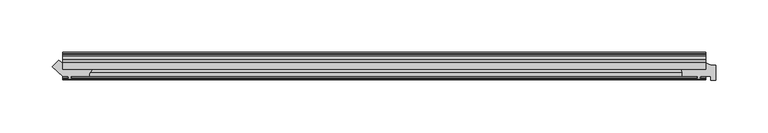
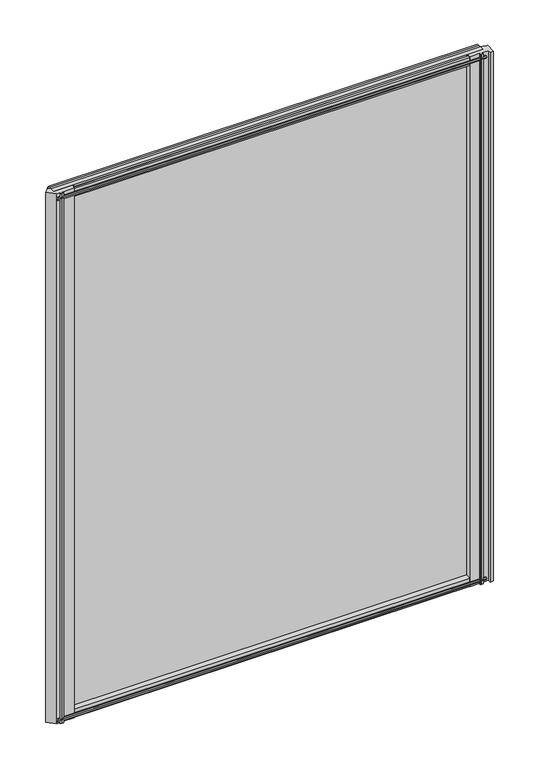
"""IFC4 building model written with IfcOpenShell, lengths in millimetres: plate geometry."""

import ifcopenshell
import ifcopenshell.guid

model = None  # the IFC model being written
_history = None  # IfcOwnerHistory: only IFC2X3 demands one
_inside = {}  # id of a spatial element -> (the spatial element, [elements in it])
_under = {}  # id of a project, library or spatial element -> (it, [spatial elements below it])
_declared = {}  # id of a project -> (the project, [libraries it declares])
_typed = {}  # id of a type object -> (the type object, [elements of that type])
_made_of = {}  # id of a material, layer set ... -> (it, [elements and type objects made of it])


def new_model(schema):
    """Start an empty IFC model of exactly this schema.

    Asked for "IFC4X3", IfcOpenShell would pick the latest addendum, in which some entities
    have other attributes; the version numbers below select the first issue.
    IFC2X3 requires an IfcOwnerHistory on every rooted entity: one is made here for all.
    """
    global model, _history
    if schema == "IFC4X3":
        model = ifcopenshell.file(schema_version=(4, 3, 0, 0))
    else:
        model = ifcopenshell.file(schema=schema)
    _inside.clear()
    _under.clear()
    _declared.clear()
    _typed.clear()
    _made_of.clear()
    _history = None
    if model.schema == "IFC2X3":
        org = make("IfcOrganization", Name="unknown")
        user = make(
            "IfcPersonAndOrganization",
            ThePerson=make("IfcPerson", FamilyName="unknown"),
            TheOrganization=org,
        )
        app = make(
            "IfcApplication",
            ApplicationDeveloper=org,
            Version="unknown",
            ApplicationFullName="unknown",
            ApplicationIdentifier="unknown",
        )
        _history = make(
            "IfcOwnerHistory",
            OwningUser=user,
            OwningApplication=app,
            ChangeAction="ADDED",
            CreationDate=0,
        )
    return model


def make(cls, **values):
    """One entity of the class cls with the attributes given. An attribute that is None is left unset."""
    return model.create_entity(
        cls, **{name: value for name, value in values.items() if value is not None}
    )


def rooted(cls, **values):
    """An entity with a GlobalId (a new one), such as an element, a storey or a relation."""
    return make(cls, GlobalId=ifcopenshell.guid.new(), OwnerHistory=_history, **values)


def si_unit(unit_type, name, prefix=None):
    """IfcSIUnit, for example si_unit("LENGTHUNIT", "METRE", prefix="MILLI")."""
    return make("IfcSIUnit", UnitType=unit_type, Prefix=prefix, Name=name)


def assignment(units):
    """IfcUnitAssignment: the units of a project."""
    return None if units is None else make("IfcUnitAssignment", Units=units)


def point(xyz):
    """IfcCartesianPoint."""
    return None if xyz is None else make("IfcCartesianPoint", Coordinates=xyz)


def direction(xyz):
    """IfcDirection."""
    return None if xyz is None else make("IfcDirection", DirectionRatios=xyz)


def frame(location, z_axis=None, x_axis=None):
    """IfcAxis2Placement3D, a coordinate frame: its origin and axes. An axis left out is left unset."""
    return make(
        "IfcAxis2Placement3D",
        Location=point(location),
        Axis=direction(z_axis),
        RefDirection=direction(x_axis),
    )


def frame_2d(location, x_axis=None):
    """IfcAxis2Placement2D, a coordinate frame in the plane: its origin and x axis."""
    return make(
        "IfcAxis2Placement2D", Location=point(location), RefDirection=direction(x_axis)
    )


def origin():
    """The frame at (0, 0, 0) with its axes left unset."""
    return frame((0.0, 0.0, 0.0))


def place(relative_to, where):
    """IfcLocalPlacement: puts the frame where relative to a parent placement (None: the world)."""
    return make(
        "IfcLocalPlacement", PlacementRelTo=relative_to, RelativePlacement=where
    )


def context(
    kind, dimensions, precision=None, world=None, true_north=None, identifier=None
):
    """IfcGeometricRepresentationContext, for example the 3D "Model" context."""
    return make(
        "IfcGeometricRepresentationContext",
        ContextIdentifier=identifier,
        ContextType=kind,
        CoordinateSpaceDimension=dimensions,
        Precision=precision,
        WorldCoordinateSystem=world,
        TrueNorth=true_north,
    )


def project(units=None, contexts=None):
    """IfcProject with its units and contexts."""
    return rooted(
        "IfcProject",
        Name="project",
        RepresentationContexts=contexts,
        UnitsInContext=assignment(units),
    )


def spatial(cls, under=None, at=None, **own):
    """A site, building, storey or space (cls), placed at a placement, below another one or the project."""
    s = rooted(cls, ObjectPlacement=at, **own)
    if under is not None:
        _under.setdefault(under.id(), (under, []))[1].append(s)
    return s


def polyline(points):
    """IfcPolyline through the points."""
    return make("IfcPolyline", Points=[point(p) for p in points])


def circle_curve(where, radius):
    """IfcCircle in the frame where."""
    return make("IfcCircle", Position=where, Radius=radius)


def trimmed(basis, trim1, trim2, sense, master):
    """IfcTrimmedCurve: the piece of a basis curve between two trims."""
    return make(
        "IfcTrimmedCurve",
        BasisCurve=basis,
        Trim1=trim1,
        Trim2=trim2,
        SenseAgreement=sense,
        MasterRepresentation=master,
    )


def segment(curve, same_sense, transition):
    """IfcCompositeCurveSegment."""
    return make(
        "IfcCompositeCurveSegment",
        Transition=transition,
        SameSense=same_sense,
        ParentCurve=curve,
    )


def composite_curve(segments, self_intersect=None):
    """IfcCompositeCurve: segments joined end to end."""
    return make("IfcCompositeCurve", Segments=segments, SelfIntersect=self_intersect)


def outline(outer, holes=None, kind="AREA"):
    """IfcArbitraryClosedProfileDef: a profile drawn as a closed curve; with holes, ...WithVoids."""
    if holes is None:
        return make("IfcArbitraryClosedProfileDef", ProfileType=kind, OuterCurve=outer)
    return make(
        "IfcArbitraryProfileDefWithVoids",
        ProfileType=kind,
        OuterCurve=outer,
        InnerCurves=holes,
    )


def extrude(swept, where, along, depth):
    """IfcExtrudedAreaSolid: the profile swept, set in the frame where, extruded along a direction by depth."""
    return make(
        "IfcExtrudedAreaSolid",
        SweptArea=swept,
        Position=where,
        ExtrudedDirection=direction(along),
        Depth=depth,
    )


def shape(context_of_items, identifier, shape_type, items):
    """IfcShapeRepresentation: the items that make up one representation, for example the "Body"."""
    return make(
        "IfcShapeRepresentation",
        ContextOfItems=context_of_items,
        RepresentationIdentifier=identifier,
        RepresentationType=shape_type,
        Items=items,
    )


def source(mapping_origin, context_of_items, identifier, shape_type, items):
    """IfcRepresentationMap: a shape defined once, which mapped items show again and again."""
    return make(
        "IfcRepresentationMap",
        MappingOrigin=mapping_origin,
        MappedRepresentation=shape(context_of_items, identifier, shape_type, items),
    )


def transform(
    local_origin,
    x_axis=None,
    y_axis=None,
    z_axis=None,
    scale=None,
    scale2=None,
    scale3=None,
    uniform=True,
):
    """IfcCartesianTransformationOperator3D, or its non-uniform kind. x_axis, y_axis, z_axis: its Axis1, 2, 3."""
    if uniform:
        return make(
            "IfcCartesianTransformationOperator3D",
            Axis1=direction(x_axis),
            Axis2=direction(y_axis),
            LocalOrigin=point(local_origin),
            Scale=scale,
            Axis3=direction(z_axis),
        )
    return make(
        "IfcCartesianTransformationOperator3DnonUniform",
        Axis1=direction(x_axis),
        Axis2=direction(y_axis),
        LocalOrigin=point(local_origin),
        Scale=scale,
        Axis3=direction(z_axis),
        Scale2=scale2,
        Scale3=scale3,
    )


def mapped(mapping_source, mapping_target):
    """IfcMappedItem: shows the shape of a source again, moved by a transform."""
    return make(
        "IfcMappedItem", MappingSource=mapping_source, MappingTarget=mapping_target
    )


def made_of(thing, what):
    """Note that an element or type object is made of a material, layer set ...; save() writes the relation."""
    if what is not None:
        _made_of.setdefault(what.id(), (what, []))[1].append(thing)
    return thing


def element(
    cls,
    number,
    at=None,
    inside=None,
    cuts=None,
    type_object=None,
    material=None,
    context=None,
    identifier="Body",
    shape_type=None,
    held_by="IfcProductDefinitionShape",
    body=None,
    shapes=None,
    **own,
):
    """One element of the class cls, such as IfcWall. Its Tag is "e" and its number.

    at: its placement. inside: the storey or other place that contains it. cuts: it is an
    opening in that element (IfcRelVoidsElement). A single representation is given by context,
    identifier, shape_type and body (its items); several are given by shapes. held_by: the class
    of the entity that holds the representations. save() writes the other relations.
    """
    e = rooted(cls, Tag="e%d" % number, ObjectPlacement=at, **own)
    if body is not None:
        shapes = [shape(context, identifier, shape_type, body)]
    if shapes is not None:
        e.Representation = make(held_by, Representations=shapes)
    if inside is not None:
        _inside.setdefault(inside.id(), (inside, []))[1].append(e)
    if cuts is not None:
        rooted(
            "IfcRelVoidsElement", RelatingBuildingElement=cuts, RelatedOpeningElement=e
        )
    if type_object is not None:
        _typed.setdefault(type_object.id(), (type_object, []))[1].append(e)
    return made_of(e, material)


def aggregate(whole, parts):
    """IfcRelAggregates: a whole, such as a stair, and the parts it consists of."""
    return rooted("IfcRelAggregates", RelatingObject=whole, RelatedObjects=parts)


def save(model, path):
    """Write the relations noted so far, then the file.

    IfcRelAggregates (storeys below a building ...), IfcRelContainedInSpatialStructure (elements
    in a storey), IfcRelDefinesByType, IfcRelAssociatesMaterial and IfcRelDeclares: one each for
    every whole, place, type object, material and project.
    """
    for whole, parts in _under.values():
        aggregate(whole, parts)
    for where, things in _inside.values():
        rooted(
            "IfcRelContainedInSpatialStructure",
            RelatedElements=things,
            RelatingStructure=where,
        )
    for kind, things in _typed.values():
        rooted("IfcRelDefinesByType", RelatedObjects=things, RelatingType=kind)
    for what, things in _made_of.values():
        rooted("IfcRelAssociatesMaterial", RelatedObjects=things, RelatingMaterial=what)
    for by, libraries in _declared.values():
        rooted("IfcRelDeclares", RelatingContext=by, RelatedDefinitions=libraries)
    model.write(path)


def plate_54272ce4(model_context):
    return source(origin(), model_context, "Body", "SweptSolid", [
        extrude(outline(polyline([(-301.7264677, -19.5460937), (311.152249, -19.5460937), (311.152249, -25.8960937), (-301.7264677, -25.8960937), (-301.7264677, -19.5460937)])), frame((0.0, 0.0, -12.7), z_axis=(0.0, 0.0, 1.0), x_axis=(1.0, 0.0, 0.0)), (0.0, 0.0, 1.0), 800.1),
        extrude(outline(composite_curve([segment(polyline([(-301.7147837, -19.5460937), (-301.7147837, -25.8960937), (-273.0838216, -25.8960938)]), True, "CONTINUOUS"), segment(trimmed(circle_curve(frame_2d((-268.8673662, -32.4967335)), 7.8324288), [point((-273.0838216, -25.8960938))], [point((-276.6957837, -32.2460937))], True, "CARTESIAN"), True, "CONTINUOUS"), segment(polyline([(-276.6957837, -32.2460937), (-294.0947837, -32.2460937), (-294.4122837, -34.3506957), (-293.1936778, -34.0241712), (-292.9898837, -34.7847412), (-295.3647837, -35.4210937), (-297.7396837, -34.7847412), (-297.5358896, -34.0241712), (-296.3172837, -34.3506957), (-296.6347837, -32.2460937), (-301.7147837, -32.2460937), (-311.6969928, -23.2658376), (-305.6511601, -17.2200049)]), True, "CONTINUOUS"), segment(trimmed(circle_curve(frame_2d((-299.1598513, -10.7286961)), 9.1800971), [point((-305.6511601, -17.2200049))], [point((-301.7147837, -19.5460937))], True, "CARTESIAN"), True, "CONTINUOUS")], self_intersect=False)), frame((0.0, 0.0, -12.7), z_axis=(0.0, 0.0, 1.0), x_axis=(1.0, 0.0, 0.0)), (0.0, 0.0, 1.0), 800.1),
        extrude(outline(composite_curve([segment(polyline([(320.677249, -22.0782211), (320.677249, -36.1501817), (315.902049, -36.1501817), (315.902049, -32.2460937), (306.0765343, -32.2460937), (305.7590343, -34.3506957), (306.9776402, -34.0241712), (307.1814343, -34.7847412), (304.8065343, -35.4210937), (302.4316343, -34.7847412), (302.6354285, -34.0241712), (303.8540343, -34.3506957), (303.5365343, -32.2460937), (288.928103, -32.2460937)]), True, "CONTINUOUS"), segment(trimmed(circle_curve(frame_2d((280.1226731, -30.493422)), 8.9781654), [point((288.928103, -32.2460937))], [point((287.834484, -25.8960937))], True, "CARTESIAN"), True, "CONTINUOUS"), segment(polyline([(287.834484, -25.8960937), (311.1565343, -25.8960937), (311.1565343, -19.5460937)]), True, "CONTINUOUS"), segment(trimmed(circle_curve(frame_2d((320.677249, -2.913372)), 19.164849), [point((311.1565343, -19.5460937))], [point((320.677249, -22.0782211))], True, "CARTESIAN"), True, "CONTINUOUS")], self_intersect=False)), frame((0.0, 0.0, -12.7), z_axis=(0.0, 0.0, 1.0), x_axis=(1.0, 0.0, 0.0)), (0.0, 0.0, 1.0), 800.1),
        extrude(outline(polyline([(-13.1960937, 787.1587), (-13.1960937, 782.7137), (-10.8158968, 782.3327), (-11.27583, 783.7482291), (-10.4746158, 783.7482291), (-9.7670937, 781.5707), (-10.4746158, 779.3931709), (-11.27583, 779.3931709), (-10.8158968, 780.8087), (-13.1960937, 780.4277), (-13.1960937, 775.2207), (-19.5460937, 773.1154229), (-19.5460937, 784.9460038), (-16.1424937, 787.1587), (-13.1960937, 787.1587)])), frame((-301.7264677, 0.0, 0.0), z_axis=(1.0, 0.0, 0.0), x_axis=(0.0, 1.0, 0.0)), (0.0, 0.0, 1.0), 612.8787167),
        extrude(outline(polyline([(-29.2996937, 786.638), (-25.8960937, 784.4253038), (-25.8960937, 772.5947229), (-32.2460937, 774.7), (-32.2460937, 779.907), (-34.6262907, 780.288), (-34.1663575, 778.872471), (-34.9675717, 778.872471), (-35.6750937, 781.05), (-34.9675717, 783.2275291), (-34.1663575, 783.2275291), (-34.6262907, 781.812), (-32.2460937, 782.193), (-32.2460937, 786.638), (-29.2996937, 786.638)])), frame((-301.7264677, 0.0, 0.0), z_axis=(1.0, 0.0, 0.0), x_axis=(0.0, 1.0, 0.0)), (0.0, 0.0, 1.0), 612.8787167),
        extrude(outline(polyline([(-25.8960937, 2.1052771), (-25.8960937, -9.7253038), (-29.2996937, -11.938), (-32.2460937, -11.938), (-32.2460937, -7.493), (-34.6262907, -7.112), (-34.1663575, -8.5275291), (-34.9675717, -8.5275291), (-35.6750937, -6.35), (-34.9675717, -4.1724709), (-34.1663575, -4.1724709), (-34.6262907, -5.588), (-32.2460937, -5.207), (-32.2460937, 0.0), (-25.8960937, 2.1052771)])), frame((-301.7264677, 0.0, 0.0), z_axis=(1.0, 0.0, 0.0), x_axis=(0.0, 1.0, 0.0)), (0.0, 0.0, 1.0), 612.8787167),
        extrude(outline(polyline([(-19.5460937, 1.5845771), (-13.1960937, -0.5207), (-13.1960937, -5.7277), (-10.8158968, -6.1087), (-11.27583, -4.6931709), (-10.4746158, -4.6931709), (-9.7670937, -6.8707), (-10.4746158, -9.048229), (-11.27583, -9.048229), (-10.8158968, -7.6327), (-13.1960937, -8.0137), (-13.1960937, -12.4587), (-16.1424937, -12.4587), (-19.5460937, -10.2460038), (-19.5460937, 1.5845771)])), frame((-301.7264677, 0.0, 0.0), z_axis=(1.0, 0.0, 0.0), x_axis=(0.0, 1.0, 0.0)), (0.0, 0.0, 1.0), 612.8787167),
    ])


if __name__ == "__main__":
    model = new_model("IFC4")
    model_context = context("Model", 3, world=origin())
    ifc_project = project(units=[si_unit("LENGTHUNIT", "METRE", prefix="MILLI")], contexts=[model_context])
    site = spatial("IfcSite", under=ifc_project)
    building = spatial("IfcBuilding", under=site)
    placement = place(None, origin())
    plate_shape = plate_54272ce4(model_context)
    element("IfcPlate", 1, at=placement, inside=building, context=model_context, shape_type="MappedRepresentation", body=[
        mapped(plate_shape, transform((0.0, 0.0, 0.0), x_axis=(1.0, 0.0, 0.0), y_axis=(0.0, 1.0, 0.0), z_axis=(0.0, 0.0, 1.0))),
    ])
    save(model, "model.ifc")
